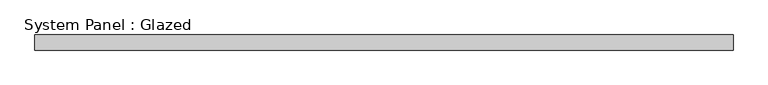
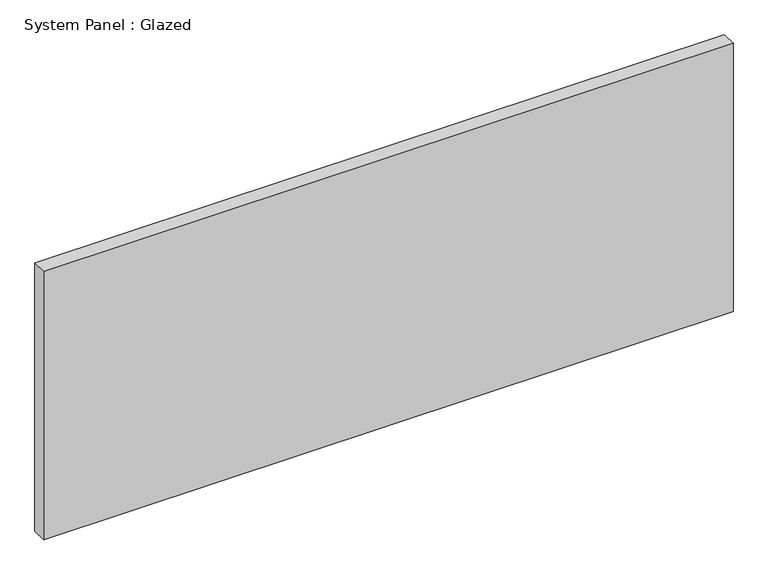
"""IFC4 building model written with IfcOpenShell, lengths in millimetres: plate geometry, System Panel : Glazed."""

from ifc_helpers import new_model, si_unit, origin, origin_with_axes, place, context, project, spatial, polyline, outline, extrude, source, transform, mapped, element, save


def system_panel_glazed_7b10c35a(model_context):
    return source(origin(), model_context, "Body", "SweptSolid", [
        extrude(outline(polyline([(577.0173234, 24.5), (-577.0173234, 24.5), (-577.0173234, 49.5), (577.0173234, 49.5), (577.0173234, 24.5)])), origin_with_axes(), (0.0, 0.0, 1.0), 475.0),
    ])


if __name__ == "__main__":
    model = new_model("IFC4")
    model_context = context("Model", 3, world=origin())
    ifc_project = project(units=[si_unit("LENGTHUNIT", "METRE", prefix="MILLI")], contexts=[model_context])
    site = spatial("IfcSite", under=ifc_project)
    building = spatial("IfcBuilding", under=site)
    placement = place(None, origin())
    system_panel_glazed_shape = system_panel_glazed_7b10c35a(model_context)
    element("IfcPlate", 1, ObjectType="System Panel : Glazed", at=placement, inside=building, context=model_context, shape_type="MappedRepresentation", body=[
        mapped(system_panel_glazed_shape, transform((0.0, 0.0, 0.0), x_axis=(1.0, 0.0, 0.0), y_axis=(0.0, 1.0, 0.0), z_axis=(0.0, 0.0, 1.0))),
    ])
    save(model, "model.ifc")
